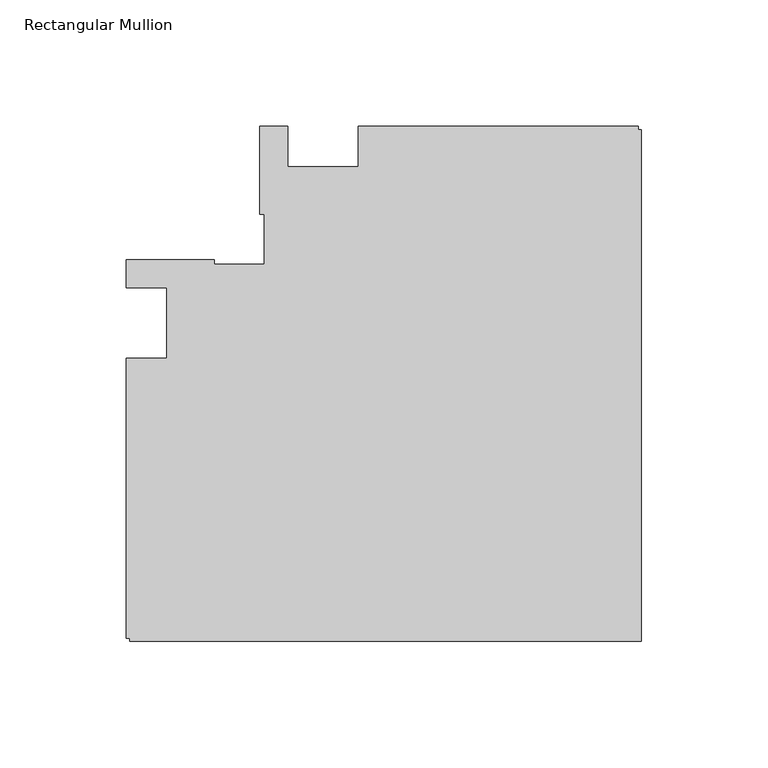
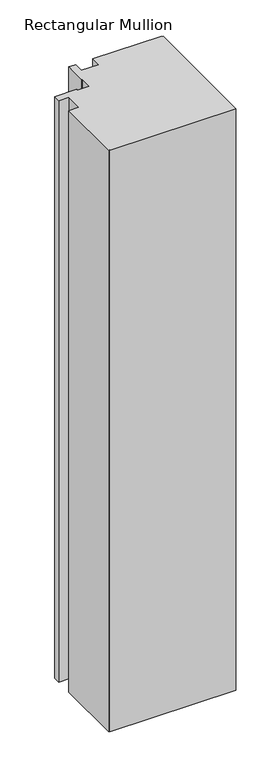
"""IFC4 building model written with IfcOpenShell, lengths in millimetres: member geometry, Rectangular Mullion."""

from ifc_helpers import new_model, si_unit, frame, origin, place, context, project, spatial, polyline, outline, extrude, source, transform, mapped, element, save


def rectangular_mullion_04661e0b(model_context):
    return source(origin(), model_context, "Body", "SweptSolid", [
        extrude(outline(polyline([(-112.2039366, 78.0481273), (-1.2039366, 78.0481273), (-1.2039366, 76.548142), (0.0, 76.548142), (0.0, -126.155816), (-202.703958, -126.155816), (-202.703958, -124.9518583), (-204.2039408, -124.9518583), (-204.2039408, -13.95177), (-188.2039146, -13.95177), (-188.2039146, 14.0481206), (-204.2039408, 14.0481206), (-204.2039408, 25.0481206), (-169.2039146, 25.0481206), (-169.2039146, 23.3589699), (-149.5136517, 23.3589699), (-149.5136517, 43.0481011), (-151.2040012, 43.0481011), (-151.2040012, 78.0480986), (-140.2039366, 78.0480986), (-140.2039366, 62.0480986), (-112.2039366, 62.0480986), (-112.2039366, 78.0481273)])), frame((0.0, 0.0, -990.6595328), z_axis=(0.0, 0.0, 1.0), x_axis=(1.0, 0.0, 0.0)), (0.0, 0.0, 1.0), 990.6595328),
    ])


if __name__ == "__main__":
    model = new_model("IFC4")
    model_context = context("Model", 3, world=origin())
    ifc_project = project(units=[si_unit("LENGTHUNIT", "METRE", prefix="MILLI")], contexts=[model_context])
    site = spatial("IfcSite", under=ifc_project)
    building = spatial("IfcBuilding", under=site)
    placement = place(None, origin())
    rectangular_mullion_shape = rectangular_mullion_04661e0b(model_context)
    element("IfcMember", 1, ObjectType="Rectangular Mullion", at=placement, inside=building, context=model_context, shape_type="MappedRepresentation", body=[
        mapped(rectangular_mullion_shape, transform((0.0, 0.0, 0.0), x_axis=(1.0, 0.0, 0.0), y_axis=(0.0, 1.0, 0.0), z_axis=(0.0, 0.0, 1.0))),
    ])
    save(model, "model.ifc")
